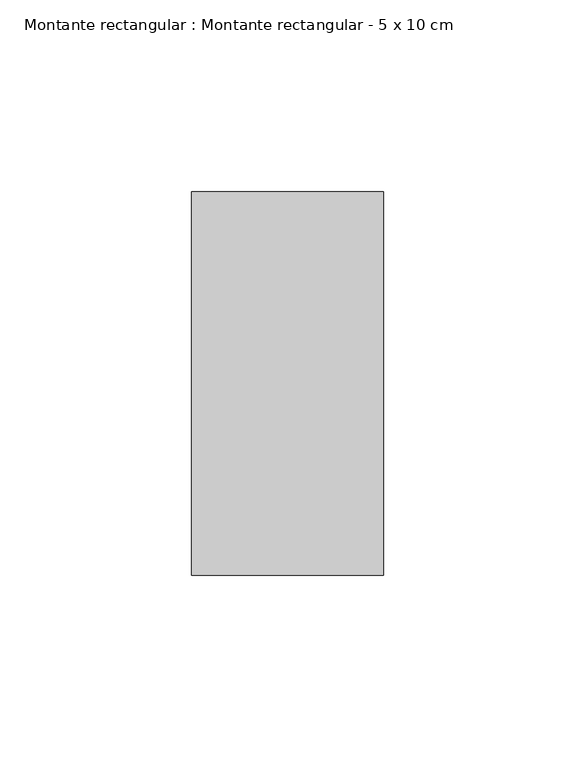
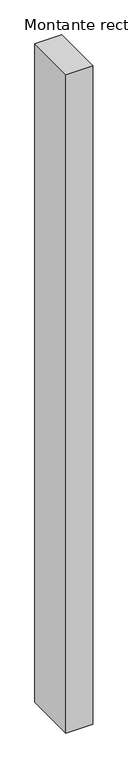
"""IFC4 building model written with IfcOpenShell, lengths in millimetres: member geometry, Montante rectangular : Montante rectangular - 5 x 10 cm."""

from ifc_helpers import new_model, si_unit, frame, origin, place, context, project, spatial, polyline, outline, extrude, source, transform, mapped, element, save


def montante_rectangular_montante_rectangular_5_x_10_cm_56cc3653(model_context):
    return source(origin(), model_context, "Body", "SweptSolid", [
        extrude(outline(polyline([(0.0, 50.0), (0.0, -50.0), (-50.0, -50.0), (-50.0, 50.0), (0.0, 50.0)])), frame((0.0, 0.0, -1295.0), z_axis=(0.0, 0.0, 1.0), x_axis=(1.0, 0.0, 0.0)), (0.0, 0.0, 1.0), 1295.0),
    ])


if __name__ == "__main__":
    model = new_model("IFC4")
    model_context = context("Model", 3, world=origin())
    ifc_project = project(units=[si_unit("LENGTHUNIT", "METRE", prefix="MILLI")], contexts=[model_context])
    site = spatial("IfcSite", under=ifc_project)
    building = spatial("IfcBuilding", under=site)
    placement = place(None, origin())
    montante_rectangular_montante_rectangular_5_x_10_cm_shape = montante_rectangular_montante_rectangular_5_x_10_cm_56cc3653(model_context)
    element("IfcMember", 1, ObjectType="Montante rectangular : Montante rectangular - 5 x 10 cm", at=placement, inside=building, context=model_context, shape_type="MappedRepresentation", body=[
        mapped(montante_rectangular_montante_rectangular_5_x_10_cm_shape, transform((0.0, 0.0, 0.0), x_axis=(1.0, 0.0, 0.0), y_axis=(0.0, 1.0, 0.0), z_axis=(0.0, 0.0, 1.0))),
    ])
    save(model, "model.ifc")
